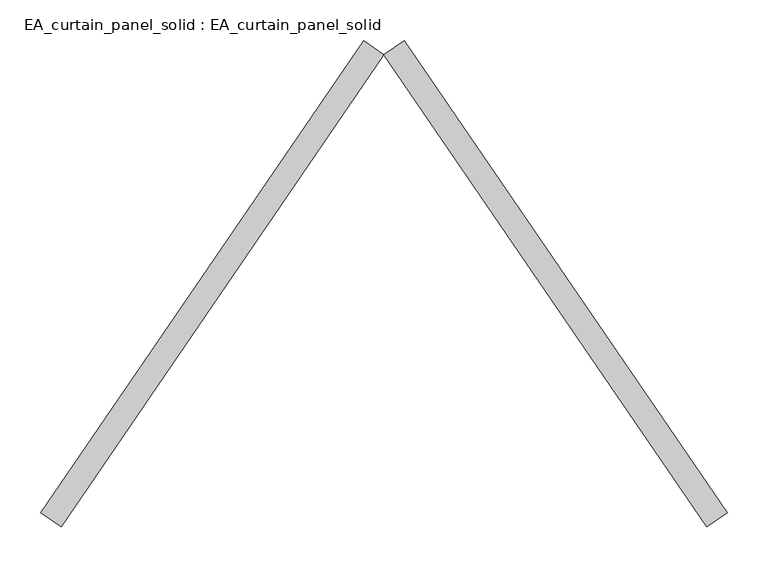
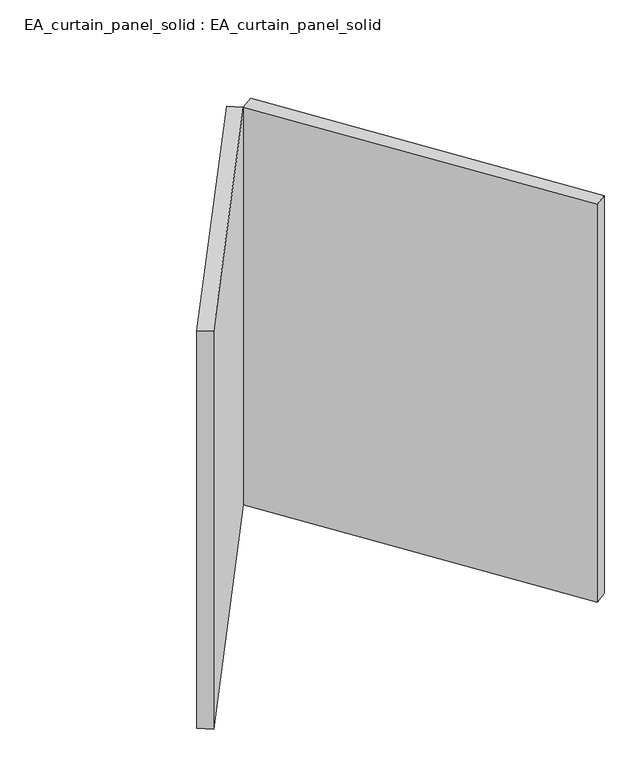
"""IFC4 building model written with IfcOpenShell, lengths in millimetres: plate geometry, EA_curtain_panel_solid : EA_curtain_panel_solid."""

import ifcopenshell
import ifcopenshell.guid

model = None  # the IFC model being written
_history = None  # IfcOwnerHistory: only IFC2X3 demands one
_inside = {}  # id of a spatial element -> (the spatial element, [elements in it])
_under = {}  # id of a project, library or spatial element -> (it, [spatial elements below it])
_declared = {}  # id of a project -> (the project, [libraries it declares])
_typed = {}  # id of a type object -> (the type object, [elements of that type])
_made_of = {}  # id of a material, layer set ... -> (it, [elements and type objects made of it])


def new_model(schema):
    """Start an empty IFC model of exactly this schema.

    Asked for "IFC4X3", IfcOpenShell would pick the latest addendum, in which some entities
    have other attributes; the version numbers below select the first issue.
    IFC2X3 requires an IfcOwnerHistory on every rooted entity: one is made here for all.
    """
    global model, _history
    if schema == "IFC4X3":
        model = ifcopenshell.file(schema_version=(4, 3, 0, 0))
    else:
        model = ifcopenshell.file(schema=schema)
    _inside.clear()
    _under.clear()
    _declared.clear()
    _typed.clear()
    _made_of.clear()
    _history = None
    if model.schema == "IFC2X3":
        org = make("IfcOrganization", Name="unknown")
        user = make(
            "IfcPersonAndOrganization",
            ThePerson=make("IfcPerson", FamilyName="unknown"),
            TheOrganization=org,
        )
        app = make(
            "IfcApplication",
            ApplicationDeveloper=org,
            Version="unknown",
            ApplicationFullName="unknown",
            ApplicationIdentifier="unknown",
        )
        _history = make(
            "IfcOwnerHistory",
            OwningUser=user,
            OwningApplication=app,
            ChangeAction="ADDED",
            CreationDate=0,
        )
    return model


def make(cls, **values):
    """One entity of the class cls with the attributes given. An attribute that is None is left unset."""
    return model.create_entity(
        cls, **{name: value for name, value in values.items() if value is not None}
    )


def rooted(cls, **values):
    """An entity with a GlobalId (a new one), such as an element, a storey or a relation."""
    return make(cls, GlobalId=ifcopenshell.guid.new(), OwnerHistory=_history, **values)


def si_unit(unit_type, name, prefix=None):
    """IfcSIUnit, for example si_unit("LENGTHUNIT", "METRE", prefix="MILLI")."""
    return make("IfcSIUnit", UnitType=unit_type, Prefix=prefix, Name=name)


def assignment(units):
    """IfcUnitAssignment: the units of a project."""
    return None if units is None else make("IfcUnitAssignment", Units=units)


def point(xyz):
    """IfcCartesianPoint."""
    return None if xyz is None else make("IfcCartesianPoint", Coordinates=xyz)


def direction(xyz):
    """IfcDirection."""
    return None if xyz is None else make("IfcDirection", DirectionRatios=xyz)


def frame(location, z_axis=None, x_axis=None):
    """IfcAxis2Placement3D, a coordinate frame: its origin and axes. An axis left out is left unset."""
    return make(
        "IfcAxis2Placement3D",
        Location=point(location),
        Axis=direction(z_axis),
        RefDirection=direction(x_axis),
    )


def origin():
    """The frame at (0, 0, 0) with its axes left unset."""
    return frame((0.0, 0.0, 0.0))


def origin_with_axes():
    """The frame at (0, 0, 0) with the z axis (0, 0, 1) and the x axis (1, 0, 0) written out."""
    return frame((0.0, 0.0, 0.0), z_axis=(0.0, 0.0, 1.0), x_axis=(1.0, 0.0, 0.0))


def place(relative_to, where):
    """IfcLocalPlacement: puts the frame where relative to a parent placement (None: the world)."""
    return make(
        "IfcLocalPlacement", PlacementRelTo=relative_to, RelativePlacement=where
    )


def context(
    kind, dimensions, precision=None, world=None, true_north=None, identifier=None
):
    """IfcGeometricRepresentationContext, for example the 3D "Model" context."""
    return make(
        "IfcGeometricRepresentationContext",
        ContextIdentifier=identifier,
        ContextType=kind,
        CoordinateSpaceDimension=dimensions,
        Precision=precision,
        WorldCoordinateSystem=world,
        TrueNorth=true_north,
    )


def project(units=None, contexts=None):
    """IfcProject with its units and contexts."""
    return rooted(
        "IfcProject",
        Name="project",
        RepresentationContexts=contexts,
        UnitsInContext=assignment(units),
    )


def spatial(cls, under=None, at=None, **own):
    """A site, building, storey or space (cls), placed at a placement, below another one or the project."""
    s = rooted(cls, ObjectPlacement=at, **own)
    if under is not None:
        _under.setdefault(under.id(), (under, []))[1].append(s)
    return s


def polyline(points):
    """IfcPolyline through the points."""
    return make("IfcPolyline", Points=[point(p) for p in points])


def outline(outer, holes=None, kind="AREA"):
    """IfcArbitraryClosedProfileDef: a profile drawn as a closed curve; with holes, ...WithVoids."""
    if holes is None:
        return make("IfcArbitraryClosedProfileDef", ProfileType=kind, OuterCurve=outer)
    return make(
        "IfcArbitraryProfileDefWithVoids",
        ProfileType=kind,
        OuterCurve=outer,
        InnerCurves=holes,
    )


def extrude(swept, where, along, depth):
    """IfcExtrudedAreaSolid: the profile swept, set in the frame where, extruded along a direction by depth."""
    return make(
        "IfcExtrudedAreaSolid",
        SweptArea=swept,
        Position=where,
        ExtrudedDirection=direction(along),
        Depth=depth,
    )


def shape(context_of_items, identifier, shape_type, items):
    """IfcShapeRepresentation: the items that make up one representation, for example the "Body"."""
    return make(
        "IfcShapeRepresentation",
        ContextOfItems=context_of_items,
        RepresentationIdentifier=identifier,
        RepresentationType=shape_type,
        Items=items,
    )


def source(mapping_origin, context_of_items, identifier, shape_type, items):
    """IfcRepresentationMap: a shape defined once, which mapped items show again and again."""
    return make(
        "IfcRepresentationMap",
        MappingOrigin=mapping_origin,
        MappedRepresentation=shape(context_of_items, identifier, shape_type, items),
    )


def transform(
    local_origin,
    x_axis=None,
    y_axis=None,
    z_axis=None,
    scale=None,
    scale2=None,
    scale3=None,
    uniform=True,
):
    """IfcCartesianTransformationOperator3D, or its non-uniform kind. x_axis, y_axis, z_axis: its Axis1, 2, 3."""
    if uniform:
        return make(
            "IfcCartesianTransformationOperator3D",
            Axis1=direction(x_axis),
            Axis2=direction(y_axis),
            LocalOrigin=point(local_origin),
            Scale=scale,
            Axis3=direction(z_axis),
        )
    return make(
        "IfcCartesianTransformationOperator3DnonUniform",
        Axis1=direction(x_axis),
        Axis2=direction(y_axis),
        LocalOrigin=point(local_origin),
        Scale=scale,
        Axis3=direction(z_axis),
        Scale2=scale2,
        Scale3=scale3,
    )


def mapped(mapping_source, mapping_target):
    """IfcMappedItem: shows the shape of a source again, moved by a transform."""
    return make(
        "IfcMappedItem", MappingSource=mapping_source, MappingTarget=mapping_target
    )


def made_of(thing, what):
    """Note that an element or type object is made of a material, layer set ...; save() writes the relation."""
    if what is not None:
        _made_of.setdefault(what.id(), (what, []))[1].append(thing)
    return thing


def element(
    cls,
    number,
    at=None,
    inside=None,
    cuts=None,
    type_object=None,
    material=None,
    context=None,
    identifier="Body",
    shape_type=None,
    held_by="IfcProductDefinitionShape",
    body=None,
    shapes=None,
    **own,
):
    """One element of the class cls, such as IfcWall. Its Tag is "e" and its number.

    at: its placement. inside: the storey or other place that contains it. cuts: it is an
    opening in that element (IfcRelVoidsElement). A single representation is given by context,
    identifier, shape_type and body (its items); several are given by shapes. held_by: the class
    of the entity that holds the representations. save() writes the other relations.
    """
    e = rooted(cls, Tag="e%d" % number, ObjectPlacement=at, **own)
    if body is not None:
        shapes = [shape(context, identifier, shape_type, body)]
    if shapes is not None:
        e.Representation = make(held_by, Representations=shapes)
    if inside is not None:
        _inside.setdefault(inside.id(), (inside, []))[1].append(e)
    if cuts is not None:
        rooted(
            "IfcRelVoidsElement", RelatingBuildingElement=cuts, RelatedOpeningElement=e
        )
    if type_object is not None:
        _typed.setdefault(type_object.id(), (type_object, []))[1].append(e)
    return made_of(e, material)


def aggregate(whole, parts):
    """IfcRelAggregates: a whole, such as a stair, and the parts it consists of."""
    return rooted("IfcRelAggregates", RelatingObject=whole, RelatedObjects=parts)


def save(model, path):
    """Write the relations noted so far, then the file.

    IfcRelAggregates (storeys below a building ...), IfcRelContainedInSpatialStructure (elements
    in a storey), IfcRelDefinesByType, IfcRelAssociatesMaterial and IfcRelDeclares: one each for
    every whole, place, type object, material and project.
    """
    for whole, parts in _under.values():
        aggregate(whole, parts)
    for where, things in _inside.values():
        rooted(
            "IfcRelContainedInSpatialStructure",
            RelatedElements=things,
            RelatingStructure=where,
        )
    for kind, things in _typed.values():
        rooted("IfcRelDefinesByType", RelatedObjects=things, RelatingType=kind)
    for what, things in _made_of.values():
        rooted("IfcRelAssociatesMaterial", RelatedObjects=things, RelatingMaterial=what)
    for by, libraries in _declared.values():
        rooted("IfcRelDeclares", RelatingContext=by, RelatedDefinitions=libraries)
    model.write(path)


def ea_curtain_panel_solid_ea_curtain_panel_solid_533426dc(model_context):
    return source(origin(), model_context, "Body", "SweptSolid", [
        extrude(outline(polyline([(-255.2396355, 577.7418372), (140.0, 0.0), (115.2396355, -16.9388415), (-280.0, 560.8029957), (-255.2396355, 577.7418372)])), origin_with_axes(), (0.0, 0.0, 1.0), 866.6666667),
        extrude(outline(polyline([(-304.7603645, 577.7418372), (-280.0, 560.8029957), (-675.2396355, -16.9388415), (-700.0, 0.0), (-304.7603645, 577.7418372)])), origin_with_axes(), (0.0, 0.0, 1.0), 866.6666667),
    ])


if __name__ == "__main__":
    model = new_model("IFC4")
    model_context = context("Model", 3, world=origin())
    ifc_project = project(units=[si_unit("LENGTHUNIT", "METRE", prefix="MILLI")], contexts=[model_context])
    site = spatial("IfcSite", under=ifc_project)
    building = spatial("IfcBuilding", under=site)
    placement = place(None, origin())
    ea_curtain_panel_solid_ea_curtain_panel_solid_shape = ea_curtain_panel_solid_ea_curtain_panel_solid_533426dc(model_context)
    element("IfcPlate", 1, ObjectType="EA_curtain_panel_solid : EA_curtain_panel_solid", at=placement, inside=building, context=model_context, shape_type="MappedRepresentation", body=[
        mapped(ea_curtain_panel_solid_ea_curtain_panel_solid_shape, transform((0.0, 0.0, 0.0), x_axis=(1.0, 0.0, 0.0), y_axis=(0.0, 1.0, 0.0), z_axis=(0.0, 0.0, 1.0))),
    ])
    save(model, "model.ifc")
